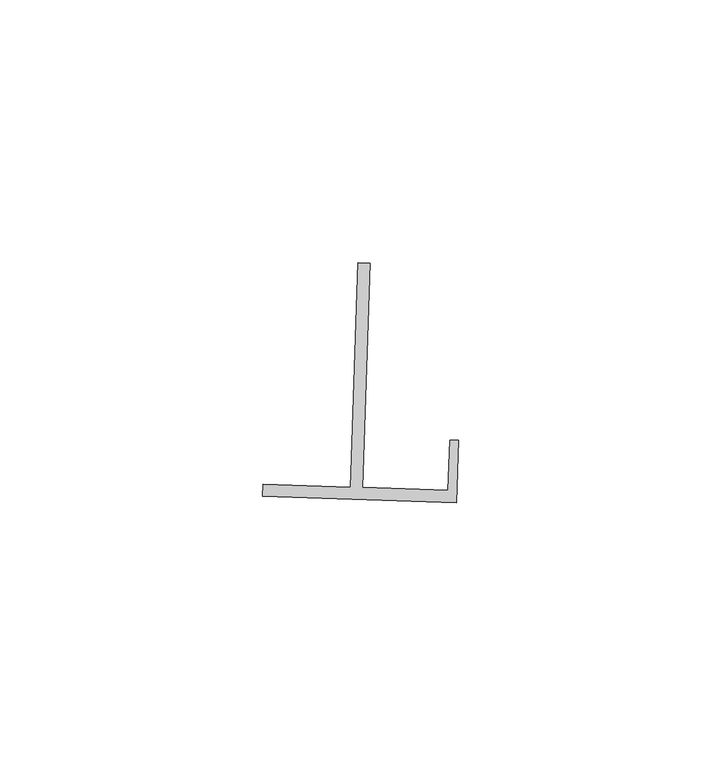
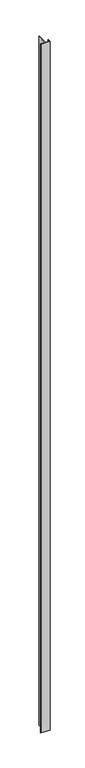
"""IFC4 building model written with IfcOpenShell, lengths in millimetres: proxy geometry."""

from ifc_helpers import new_model, si_unit, frame, origin, place, context, project, spatial, polyline, outline, extrude, source, transform, mapped, element, save


def generic_models_4a31b6c3(model_context):
    return source(origin(), model_context, "Body", "SweptSolid", [
        extrude(outline(polyline([(17466.8101716, -14626.0828483), (17469.0962606, -14626.1568654), (17467.7146666, -14668.8286494), (17484.0213373, -14669.356614), (17484.3297288, -14659.8316638), (17485.9300105, -14659.8834764), (17485.547411, -14671.6944123), (17448.6859013, -14670.5009388), (17448.7599153, -14668.214947), (17465.4285777, -14668.7546319), (17466.8101716, -14626.0828483)])), frame((0.0, 0.0, 73.975708), z_axis=(0.0, 0.0, 1.0), x_axis=(1.0, 0.0, 0.0)), (0.0, 0.0, 1.0), 2959.11),
    ])


if __name__ == "__main__":
    model = new_model("IFC4")
    model_context = context("Model", 3, world=origin())
    ifc_project = project(units=[si_unit("LENGTHUNIT", "METRE", prefix="MILLI")], contexts=[model_context])
    site = spatial("IfcSite", under=ifc_project)
    building = spatial("IfcBuilding", under=site)
    placement = place(None, origin())
    generic_models_shape = generic_models_4a31b6c3(model_context)
    element("IfcBuildingElementProxy", 1, Name="Generic Models", at=placement, inside=building, context=model_context, shape_type="MappedRepresentation", body=[
        mapped(generic_models_shape, transform((0.0, 0.0, 0.0), x_axis=(1.0, 0.0, 0.0), y_axis=(0.0, 1.0, 0.0), z_axis=(0.0, 0.0, 1.0))),
    ])
    save(model, "model.ifc")
